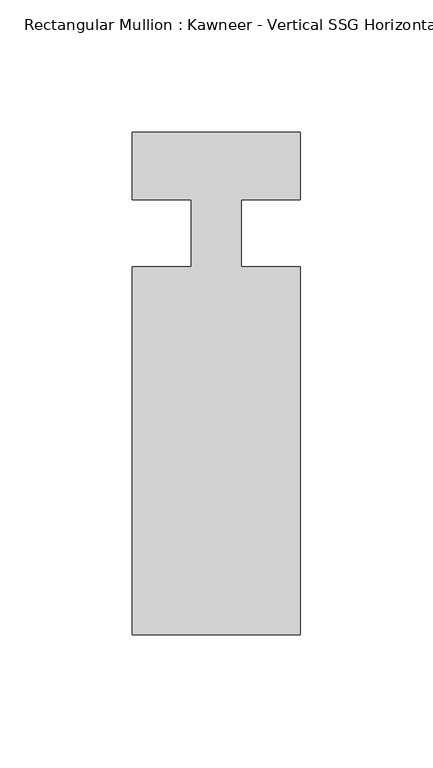
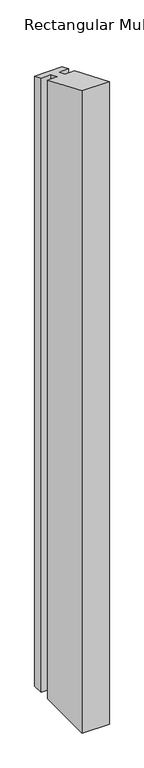
"""IFC4 building model written with IfcOpenShell, lengths in millimetres: member geometry."""

from ifc_helpers import new_model, si_unit, origin, place, context, project, spatial, faceted_brep, source, transform, mapped, element, save


def member_e0753949(model_context):
    return source(origin(), model_context, "Body", "Brep", [
        faceted_brep([(-9.525, 12.7, -1513.3454004), (-31.75, 12.7, -1513.3454004), (-31.75, 38.1, -1513.3454004), (31.75, 38.1, -1513.3454004), (31.75, 12.7, -1513.3454004), (9.5251132, 12.7, -1513.3454004), (9.5251132, -12.7, -1513.3454004), (31.75, -12.7, -1513.3454004), (31.75, -151.892, -1513.3454004), (-31.75, -151.892, -1513.3454004), (-31.75, -12.7, -1513.3454004), (-9.525, -12.7, -1513.3454004), (-9.525, 12.7, -5.2605122), (-31.75, 12.7, -5.2605122), (-9.525, -12.7, 5.2605122), (-31.75, -12.7, 5.2605122), (-31.75, -151.892, 62.9157264), (31.75, -151.892, 62.9157264), (31.75, -12.7, 5.2605122), (9.5251132, -12.7, 5.2605122), (9.5251132, 12.7, -5.2605122), (31.75, 12.7, -5.2605122), (31.75, 38.1, -15.7815367), (-31.75, 38.1, -15.7815367)], [[[0, 1, 2, 3, 4, 5, 6, 7, 8, 9, 10, 11]], [[12, 13, 1, 0]], [[14, 12, 0, 11]], [[15, 14, 11, 10]], [[16, 15, 10, 9]], [[17, 16, 9, 8]], [[18, 17, 8, 7]], [[19, 18, 7, 6]], [[20, 19, 6, 5]], [[21, 20, 5, 4]], [[22, 21, 4, 3]], [[23, 22, 3, 2]], [[13, 23, 2, 1]], [[12, 14, 15, 16, 17, 18, 19, 20, 21, 22, 23, 13]]]),
    ])


if __name__ == "__main__":
    model = new_model("IFC4")
    model_context = context("Model", 3, world=origin())
    ifc_project = project(units=[si_unit("LENGTHUNIT", "METRE", prefix="MILLI")], contexts=[model_context])
    site = spatial("IfcSite", under=ifc_project)
    building = spatial("IfcBuilding", under=site)
    placement = place(None, origin())
    member_shape = member_e0753949(model_context)
    element("IfcMember", 1, ObjectType="Rectangular Mullion : Kawneer - Vertical SSG Horizontal Mullion - 7 1/2\"", at=placement, inside=building, context=model_context, shape_type="MappedRepresentation", body=[
        mapped(member_shape, transform((0.0, 0.0, 0.0), x_axis=(1.0, 0.0, 0.0), y_axis=(0.0, 1.0, 0.0), z_axis=(0.0, 0.0, 1.0))),
    ])
    save(model, "model.ifc")
